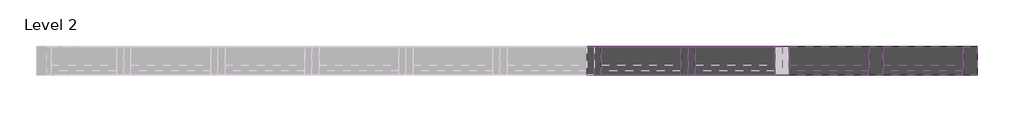
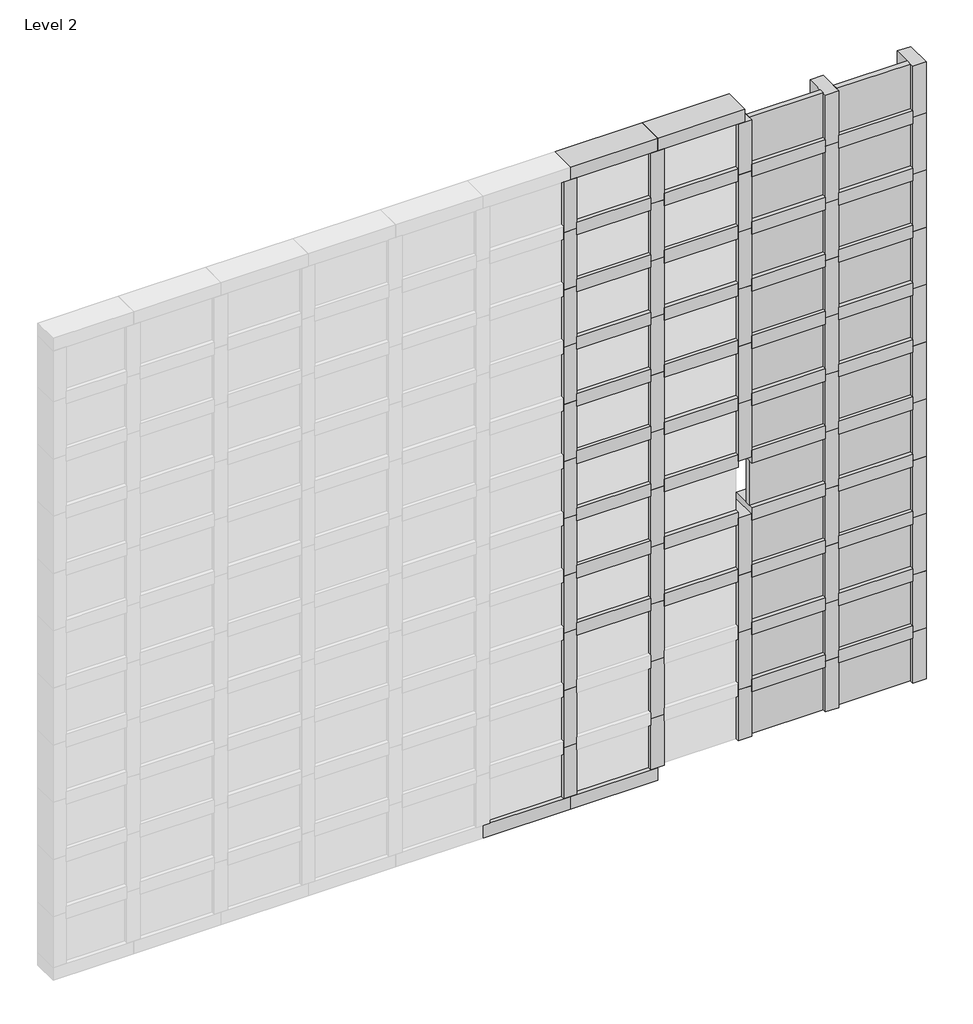
# One storey, part 3 of 7: 94 members, 22 plates.
"""IFC4 building model written with IfcOpenShell, lengths in millimetres."""

import ifcopenshell
import ifcopenshell.guid

model = None  # the IFC model being written
_history = None  # IfcOwnerHistory: only IFC2X3 demands one
_inside = {}  # id of a spatial element -> (the spatial element, [elements in it])
_under = {}  # id of a project, library or spatial element -> (it, [spatial elements below it])
_declared = {}  # id of a project -> (the project, [libraries it declares])
_typed = {}  # id of a type object -> (the type object, [elements of that type])
_made_of = {}  # id of a material, layer set ... -> (it, [elements and type objects made of it])


def new_model(schema):
    """Start an empty IFC model of exactly this schema.

    Asked for "IFC4X3", IfcOpenShell would pick the latest addendum, in which some entities
    have other attributes; the version numbers below select the first issue.
    IFC2X3 requires an IfcOwnerHistory on every rooted entity: one is made here for all.
    """
    global model, _history
    if schema == "IFC4X3":
        model = ifcopenshell.file(schema_version=(4, 3, 0, 0))
    else:
        model = ifcopenshell.file(schema=schema)
    _inside.clear()
    _under.clear()
    _declared.clear()
    _typed.clear()
    _made_of.clear()
    _history = None
    if model.schema == "IFC2X3":
        org = make("IfcOrganization", Name="unknown")
        user = make(
            "IfcPersonAndOrganization",
            ThePerson=make("IfcPerson", FamilyName="unknown"),
            TheOrganization=org,
        )
        app = make(
            "IfcApplication",
            ApplicationDeveloper=org,
            Version="unknown",
            ApplicationFullName="unknown",
            ApplicationIdentifier="unknown",
        )
        _history = make(
            "IfcOwnerHistory",
            OwningUser=user,
            OwningApplication=app,
            ChangeAction="ADDED",
            CreationDate=0,
        )
    return model


def make(cls, **values):
    """One entity of the class cls with the attributes given. An attribute that is None is left unset."""
    return model.create_entity(
        cls, **{name: value for name, value in values.items() if value is not None}
    )


def rooted(cls, **values):
    """An entity with a GlobalId (a new one), such as an element, a storey or a relation."""
    return make(cls, GlobalId=ifcopenshell.guid.new(), OwnerHistory=_history, **values)


def si_unit(unit_type, name, prefix=None):
    """IfcSIUnit, for example si_unit("LENGTHUNIT", "METRE", prefix="MILLI")."""
    return make("IfcSIUnit", UnitType=unit_type, Prefix=prefix, Name=name)


def assignment(units):
    """IfcUnitAssignment: the units of a project."""
    return None if units is None else make("IfcUnitAssignment", Units=units)


def point(xyz):
    """IfcCartesianPoint."""
    return None if xyz is None else make("IfcCartesianPoint", Coordinates=xyz)


def direction(xyz):
    """IfcDirection."""
    return None if xyz is None else make("IfcDirection", DirectionRatios=xyz)


def frame(location, z_axis=None, x_axis=None):
    """IfcAxis2Placement3D, a coordinate frame: its origin and axes. An axis left out is left unset."""
    return make(
        "IfcAxis2Placement3D",
        Location=point(location),
        Axis=direction(z_axis),
        RefDirection=direction(x_axis),
    )


def origin():
    """The frame at (0, 0, 0) with its axes left unset."""
    return frame((0.0, 0.0, 0.0))


def origin_with_axes():
    """The frame at (0, 0, 0) with the z axis (0, 0, 1) and the x axis (1, 0, 0) written out."""
    return frame((0.0, 0.0, 0.0), z_axis=(0.0, 0.0, 1.0), x_axis=(1.0, 0.0, 0.0))


def place(relative_to, where):
    """IfcLocalPlacement: puts the frame where relative to a parent placement (None: the world)."""
    return make(
        "IfcLocalPlacement", PlacementRelTo=relative_to, RelativePlacement=where
    )


def context(
    kind, dimensions, precision=None, world=None, true_north=None, identifier=None
):
    """IfcGeometricRepresentationContext, for example the 3D "Model" context."""
    return make(
        "IfcGeometricRepresentationContext",
        ContextIdentifier=identifier,
        ContextType=kind,
        CoordinateSpaceDimension=dimensions,
        Precision=precision,
        WorldCoordinateSystem=world,
        TrueNorth=true_north,
    )


def project(units=None, contexts=None):
    """IfcProject with its units and contexts."""
    return rooted(
        "IfcProject",
        Name="project",
        RepresentationContexts=contexts,
        UnitsInContext=assignment(units),
    )


def spatial(cls, under=None, at=None, **own):
    """A site, building, storey or space (cls), placed at a placement, below another one or the project."""
    s = rooted(cls, ObjectPlacement=at, **own)
    if under is not None:
        _under.setdefault(under.id(), (under, []))[1].append(s)
    return s


def polyline(points):
    """IfcPolyline through the points."""
    return make("IfcPolyline", Points=[point(p) for p in points])


def outline(outer, holes=None, kind="AREA"):
    """IfcArbitraryClosedProfileDef: a profile drawn as a closed curve; with holes, ...WithVoids."""
    if holes is None:
        return make("IfcArbitraryClosedProfileDef", ProfileType=kind, OuterCurve=outer)
    return make(
        "IfcArbitraryProfileDefWithVoids",
        ProfileType=kind,
        OuterCurve=outer,
        InnerCurves=holes,
    )


def extrude(swept, where, along, depth):
    """IfcExtrudedAreaSolid: the profile swept, set in the frame where, extruded along a direction by depth."""
    return make(
        "IfcExtrudedAreaSolid",
        SweptArea=swept,
        Position=where,
        ExtrudedDirection=direction(along),
        Depth=depth,
    )


def shape(context_of_items, identifier, shape_type, items):
    """IfcShapeRepresentation: the items that make up one representation, for example the "Body"."""
    return make(
        "IfcShapeRepresentation",
        ContextOfItems=context_of_items,
        RepresentationIdentifier=identifier,
        RepresentationType=shape_type,
        Items=items,
    )


def source(mapping_origin, context_of_items, identifier, shape_type, items):
    """IfcRepresentationMap: a shape defined once, which mapped items show again and again."""
    return make(
        "IfcRepresentationMap",
        MappingOrigin=mapping_origin,
        MappedRepresentation=shape(context_of_items, identifier, shape_type, items),
    )


def transform(
    local_origin,
    x_axis=None,
    y_axis=None,
    z_axis=None,
    scale=None,
    scale2=None,
    scale3=None,
    uniform=True,
):
    """IfcCartesianTransformationOperator3D, or its non-uniform kind. x_axis, y_axis, z_axis: its Axis1, 2, 3."""
    if uniform:
        return make(
            "IfcCartesianTransformationOperator3D",
            Axis1=direction(x_axis),
            Axis2=direction(y_axis),
            LocalOrigin=point(local_origin),
            Scale=scale,
            Axis3=direction(z_axis),
        )
    return make(
        "IfcCartesianTransformationOperator3DnonUniform",
        Axis1=direction(x_axis),
        Axis2=direction(y_axis),
        LocalOrigin=point(local_origin),
        Scale=scale,
        Axis3=direction(z_axis),
        Scale2=scale2,
        Scale3=scale3,
    )


def mapped(mapping_source, mapping_target):
    """IfcMappedItem: shows the shape of a source again, moved by a transform."""
    return make(
        "IfcMappedItem", MappingSource=mapping_source, MappingTarget=mapping_target
    )


def made_of(thing, what):
    """Note that an element or type object is made of a material, layer set ...; save() writes the relation."""
    if what is not None:
        _made_of.setdefault(what.id(), (what, []))[1].append(thing)
    return thing


def element(
    cls,
    number,
    at=None,
    inside=None,
    cuts=None,
    type_object=None,
    material=None,
    context=None,
    identifier="Body",
    shape_type=None,
    held_by="IfcProductDefinitionShape",
    body=None,
    shapes=None,
    **own,
):
    """One element of the class cls, such as IfcWall. Its Tag is "e" and its number.

    at: its placement. inside: the storey or other place that contains it. cuts: it is an
    opening in that element (IfcRelVoidsElement). A single representation is given by context,
    identifier, shape_type and body (its items); several are given by shapes. held_by: the class
    of the entity that holds the representations. save() writes the other relations.
    """
    e = rooted(cls, Tag="e%d" % number, ObjectPlacement=at, **own)
    if body is not None:
        shapes = [shape(context, identifier, shape_type, body)]
    if shapes is not None:
        e.Representation = make(held_by, Representations=shapes)
    if inside is not None:
        _inside.setdefault(inside.id(), (inside, []))[1].append(e)
    if cuts is not None:
        rooted(
            "IfcRelVoidsElement", RelatingBuildingElement=cuts, RelatedOpeningElement=e
        )
    if type_object is not None:
        _typed.setdefault(type_object.id(), (type_object, []))[1].append(e)
    return made_of(e, material)


def aggregate(whole, parts):
    """IfcRelAggregates: a whole, such as a stair, and the parts it consists of."""
    return rooted("IfcRelAggregates", RelatingObject=whole, RelatedObjects=parts)


def save(model, path):
    """Write the relations noted so far, then the file.

    IfcRelAggregates (storeys below a building ...), IfcRelContainedInSpatialStructure (elements
    in a storey), IfcRelDefinesByType, IfcRelAssociatesMaterial and IfcRelDeclares: one each for
    every whole, place, type object, material and project.
    """
    for whole, parts in _under.values():
        aggregate(whole, parts)
    for where, things in _inside.values():
        rooted(
            "IfcRelContainedInSpatialStructure",
            RelatedElements=things,
            RelatingStructure=where,
        )
    for kind, things in _typed.values():
        rooted("IfcRelDefinesByType", RelatedObjects=things, RelatingType=kind)
    for what, things in _made_of.values():
        rooted("IfcRelAssociatesMaterial", RelatedObjects=things, RelatingMaterial=what)
    for by, libraries in _declared.values():
        rooted("IfcRelDeclares", RelatingContext=by, RelatedDefinitions=libraries)
    model.write(path)


def member_053a1080(model_context):
    return source(origin(), model_context, "Body", "SweptSolid", [
        extrude(outline(polyline([(31.75, 63.5), (31.75, -63.5), (-31.75, -63.5), (-31.75, 63.5), (31.75, 63.5)])), frame((0.0, 0.0, -351.3666667), z_axis=(0.0, 0.0, 1.0), x_axis=(1.0, 0.0, 0.0)), (0.0, 0.0, 1.0), 351.3666667),
    ])


def member_cc20b924(model_context):
    return source(origin(), model_context, "Body", "SweptSolid", [
        extrude(outline(polyline([(0.0, 63.5), (0.0, -63.5), (-63.5, -63.5), (-63.5, 63.5), (0.0, 63.5)])), frame((0.0, 0.0, -414.8666667), z_axis=(0.0, 0.0, 1.0), x_axis=(1.0, 0.0, 0.0)), (0.0, 0.0, 1.0), 414.8666667),
    ])


def member_fa3b035b(model_context):
    return source(origin(), model_context, "Body", "SweptSolid", [
        extrude(outline(polyline([(31.75, 63.5), (31.75, -63.5), (-31.75, -63.5), (-31.75, 63.5), (31.75, 63.5)])), frame((0.0, 0.0, -287.4301113), z_axis=(0.0, 0.0, 1.0), x_axis=(1.0, 0.0, 0.0)), (0.0, 0.0, 1.0), 287.4301113),
    ])


def member_d2e9ee92(model_context):
    return source(origin(), model_context, "Body", "SweptSolid", [
        extrude(outline(polyline([(31.75, 63.5), (31.75, -63.5), (-31.75, -63.5), (-31.75, 63.5), (31.75, 63.5)])), frame((0.0, 0.0, -255.6801113), z_axis=(0.0, 0.0, 1.0), x_axis=(1.0, 0.0, 0.0)), (0.0, 0.0, 1.0), 255.6801113),
    ])


def system_panel_glazed_a957bdd6(model_context):
    return source(origin(), model_context, "Body", "SweptSolid", [
        extrude(outline(polyline([(175.6833333, 19.05), (-175.6833333, 19.05), (-175.6833333, 44.45), (175.6833333, 44.45), (175.6833333, 19.05)])), origin_with_axes(), (0.0, 0.0, 1.0), 223.9301113),
    ])


model = new_model("IFC4")

# Units and contexts
model_context = context("Model", 3, world=origin())
ifc_project = project(units=[si_unit("LENGTHUNIT", "METRE", prefix="MILLI")], contexts=[model_context])

# Site, building, storey
site = spatial("IfcSite", under=ifc_project)
building = spatial("IfcBuilding", under=site)
storey = spatial("IfcBuildingStorey", under=building, Name="Level 2", Elevation=3048.0)

# Members
placement = place(None, origin())
member_shape = member_053a1080(model_context)
element("IfcMember", 1, ObjectType="Rectangular Mullion : 2.5\" x 5\" rectangular", at=placement, inside=storey, context=model_context, shape_type="MappedRepresentation", body=[
    mapped(member_shape, transform((-2402.0749742, 4076.9545164, 3367.1801113), x_axis=(0.0, 0.0, 1.0), y_axis=(0.0, 1.0, 0.0), z_axis=(-1.0, 0.0, 0.0))),
])
element("IfcMember", 2, ObjectType="Rectangular Mullion : 2.5\" x 5\" rectangular", at=placement, inside=storey, context=model_context, shape_type="MappedRepresentation", body=[
    mapped(member_shape, transform((-2816.9416409, 4076.9545164, 3367.1801113), x_axis=(0.0, 0.0, 1.0), y_axis=(0.0, 1.0, 0.0), z_axis=(-1.0, 0.0, 0.0))),
])
element("IfcMember", 3, ObjectType="Rectangular Mullion : 2.5\" x 5\" rectangular", at=placement, inside=storey, context=model_context, shape_type="MappedRepresentation", body=[
    mapped(member_shape, transform((-2816.9416409, 4076.9545164, 3654.6102225), x_axis=(0.0, 0.0, 1.0), y_axis=(0.0, 1.0, 0.0), z_axis=(-1.0, 0.0, 0.0))),
])
element("IfcMember", 4, ObjectType="Rectangular Mullion : 2.5\" x 5\" rectangular", at=placement, inside=storey, context=model_context, shape_type="MappedRepresentation", body=[
    mapped(member_shape, transform((-2402.0749742, 4076.9545164, 3654.6102225), x_axis=(0.0, 0.0, 1.0), y_axis=(0.0, 1.0, 0.0), z_axis=(-1.0, 0.0, 0.0))),
])
element("IfcMember", 5, ObjectType="Rectangular Mullion : 2.5\" x 5\" rectangular", at=placement, inside=storey, context=model_context, shape_type="MappedRepresentation", body=[
    mapped(member_shape, transform((-3231.8083075, 4076.9545164, 3942.0403338), x_axis=(0.0, 0.0, 1.0), y_axis=(0.0, 1.0, 0.0), z_axis=(-1.0, 0.0, 0.0))),
])
element("IfcMember", 6, ObjectType="Rectangular Mullion : 2.5\" x 5\" rectangular", at=placement, inside=storey, context=model_context, shape_type="MappedRepresentation", body=[
    mapped(member_shape, transform((-2816.9416409, 4076.9545164, 3942.0403338), x_axis=(0.0, 0.0, 1.0), y_axis=(0.0, 1.0, 0.0), z_axis=(-1.0, 0.0, 0.0))),
])
element("IfcMember", 7, ObjectType="Rectangular Mullion : 2.5\" x 5\" rectangular", at=placement, inside=storey, context=model_context, shape_type="MappedRepresentation", body=[
    mapped(member_shape, transform((-2402.0749742, 4076.9545164, 3942.0403338), x_axis=(0.0, 0.0, 1.0), y_axis=(0.0, 1.0, 0.0), z_axis=(-1.0, 0.0, 0.0))),
])
element("IfcMember", 8, ObjectType="Rectangular Mullion : 2.5\" x 5\" rectangular", at=placement, inside=storey, context=model_context, shape_type="MappedRepresentation", body=[
    mapped(member_shape, transform((-3646.6749742, 4076.9545164, 3942.0403338), x_axis=(0.0, 0.0, 1.0), y_axis=(0.0, 1.0, 0.0), z_axis=(-1.0, 0.0, 0.0))),
])
element("IfcMember", 9, ObjectType="Rectangular Mullion : 2.5\" x 5\" rectangular", at=placement, inside=storey, context=model_context, shape_type="MappedRepresentation", body=[
    mapped(member_shape, transform((-3646.6749742, 4076.9545164, 4229.4704451), x_axis=(0.0, 0.0, 1.0), y_axis=(0.0, 1.0, 0.0), z_axis=(-1.0, 0.0, 0.0))),
])
element("IfcMember", 10, ObjectType="Rectangular Mullion : 2.5\" x 5\" rectangular", at=placement, inside=storey, context=model_context, shape_type="MappedRepresentation", body=[
    mapped(member_shape, transform((-3231.8083075, 4076.9545164, 4229.4704451), x_axis=(0.0, 0.0, 1.0), y_axis=(0.0, 1.0, 0.0), z_axis=(-1.0, 0.0, 0.0))),
])
element("IfcMember", 11, ObjectType="Rectangular Mullion : 2.5\" x 5\" rectangular", at=placement, inside=storey, context=model_context, shape_type="MappedRepresentation", body=[
    mapped(member_shape, transform((-2816.9416409, 4076.9545164, 4229.4704451), x_axis=(0.0, 0.0, 1.0), y_axis=(0.0, 1.0, 0.0), z_axis=(-1.0, 0.0, 0.0))),
])
element("IfcMember", 12, ObjectType="Rectangular Mullion : 2.5\" x 5\" rectangular", at=placement, inside=storey, context=model_context, shape_type="MappedRepresentation", body=[
    mapped(member_shape, transform((-2402.0749742, 4076.9545164, 4229.4704451), x_axis=(0.0, 0.0, 1.0), y_axis=(0.0, 1.0, 0.0), z_axis=(-1.0, 0.0, 0.0))),
])
element("IfcMember", 13, ObjectType="Rectangular Mullion : 2.5\" x 5\" rectangular", at=placement, inside=storey, context=model_context, shape_type="MappedRepresentation", body=[
    mapped(member_shape, transform((-3646.6749742, 4076.9545164, 4516.9005563), x_axis=(0.0, 0.0, 1.0), y_axis=(0.0, 1.0, 0.0), z_axis=(-1.0, 0.0, 0.0))),
])
element("IfcMember", 14, ObjectType="Rectangular Mullion : 2.5\" x 5\" rectangular", at=placement, inside=storey, context=model_context, shape_type="MappedRepresentation", body=[
    mapped(member_shape, transform((-3231.8083075, 4076.9545164, 4516.9005563), x_axis=(0.0, 0.0, 1.0), y_axis=(0.0, 1.0, 0.0), z_axis=(-1.0, 0.0, 0.0))),
])
element("IfcMember", 15, ObjectType="Rectangular Mullion : 2.5\" x 5\" rectangular", at=placement, inside=storey, context=model_context, shape_type="MappedRepresentation", body=[
    mapped(member_shape, transform((-2816.9416409, 4076.9545164, 4516.9005563), x_axis=(0.0, 0.0, 1.0), y_axis=(0.0, 1.0, 0.0), z_axis=(-1.0, 0.0, 0.0))),
])
element("IfcMember", 16, ObjectType="Rectangular Mullion : 2.5\" x 5\" rectangular", at=placement, inside=storey, context=model_context, shape_type="MappedRepresentation", body=[
    mapped(member_shape, transform((-2402.0749742, 4076.9545164, 4516.9005563), x_axis=(0.0, 0.0, 1.0), y_axis=(0.0, 1.0, 0.0), z_axis=(-1.0, 0.0, 0.0))),
])
element("IfcMember", 17, ObjectType="Rectangular Mullion : 2.5\" x 5\" rectangular", at=placement, inside=storey, context=model_context, shape_type="MappedRepresentation", body=[
    mapped(member_shape, transform((-3231.8083075, 4076.9545164, 4804.3306676), x_axis=(0.0, 0.0, 1.0), y_axis=(0.0, 1.0, 0.0), z_axis=(-1.0, 0.0, 0.0))),
])
element("IfcMember", 18, ObjectType="Rectangular Mullion : 2.5\" x 5\" rectangular", at=placement, inside=storey, context=model_context, shape_type="MappedRepresentation", body=[
    mapped(member_shape, transform((-2816.9416409, 4076.9545164, 4804.3306676), x_axis=(0.0, 0.0, 1.0), y_axis=(0.0, 1.0, 0.0), z_axis=(-1.0, 0.0, 0.0))),
])
element("IfcMember", 19, ObjectType="Rectangular Mullion : 2.5\" x 5\" rectangular", at=placement, inside=storey, context=model_context, shape_type="MappedRepresentation", body=[
    mapped(member_shape, transform((-2402.0749742, 4076.9545164, 4804.3306676), x_axis=(0.0, 0.0, 1.0), y_axis=(0.0, 1.0, 0.0), z_axis=(-1.0, 0.0, 0.0))),
])
element("IfcMember", 20, ObjectType="Rectangular Mullion : 2.5\" x 5\" rectangular", at=placement, inside=storey, context=model_context, shape_type="MappedRepresentation", body=[
    mapped(member_shape, transform((-3646.6749742, 4076.9545164, 4804.3306676), x_axis=(0.0, 0.0, 1.0), y_axis=(0.0, 1.0, 0.0), z_axis=(-1.0, 0.0, 0.0))),
])
element("IfcMember", 21, ObjectType="Rectangular Mullion : 2.5\" x 5\" rectangular", at=placement, inside=storey, context=model_context, shape_type="MappedRepresentation", body=[
    mapped(member_shape, transform((-3646.6749742, 4076.9545164, 5091.7607789), x_axis=(0.0, 0.0, 1.0), y_axis=(0.0, 1.0, 0.0), z_axis=(-1.0, 0.0, 0.0))),
])
element("IfcMember", 22, ObjectType="Rectangular Mullion : 2.5\" x 5\" rectangular", at=placement, inside=storey, context=model_context, shape_type="MappedRepresentation", body=[
    mapped(member_shape, transform((-3231.8083075, 4076.9545164, 5091.7607789), x_axis=(0.0, 0.0, 1.0), y_axis=(0.0, 1.0, 0.0), z_axis=(-1.0, 0.0, 0.0))),
])
element("IfcMember", 23, ObjectType="Rectangular Mullion : 2.5\" x 5\" rectangular", at=placement, inside=storey, context=model_context, shape_type="MappedRepresentation", body=[
    mapped(member_shape, transform((-2816.9416409, 4076.9545164, 5091.7607789), x_axis=(0.0, 0.0, 1.0), y_axis=(0.0, 1.0, 0.0), z_axis=(-1.0, 0.0, 0.0))),
])
element("IfcMember", 24, ObjectType="Rectangular Mullion : 2.5\" x 5\" rectangular", at=placement, inside=storey, context=model_context, shape_type="MappedRepresentation", body=[
    mapped(member_shape, transform((-2402.0749742, 4076.9545164, 5091.7607789), x_axis=(0.0, 0.0, 1.0), y_axis=(0.0, 1.0, 0.0), z_axis=(-1.0, 0.0, 0.0))),
])
element("IfcMember", 25, ObjectType="Rectangular Mullion : 2.5\" x 5\" rectangular", at=placement, inside=storey, context=model_context, shape_type="MappedRepresentation", body=[
    mapped(member_shape, transform((-3646.6749742, 4076.9545164, 5379.1908901), x_axis=(0.0, 0.0, 1.0), y_axis=(0.0, 1.0, 0.0), z_axis=(-1.0, 0.0, 0.0))),
])
element("IfcMember", 26, ObjectType="Rectangular Mullion : 2.5\" x 5\" rectangular", at=placement, inside=storey, context=model_context, shape_type="MappedRepresentation", body=[
    mapped(member_shape, transform((-3231.8083075, 4076.9545164, 5379.1908901), x_axis=(0.0, 0.0, 1.0), y_axis=(0.0, 1.0, 0.0), z_axis=(-1.0, 0.0, 0.0))),
])
element("IfcMember", 27, ObjectType="Rectangular Mullion : 2.5\" x 5\" rectangular", at=placement, inside=storey, context=model_context, shape_type="MappedRepresentation", body=[
    mapped(member_shape, transform((-2816.9416409, 4076.9545164, 5379.1908901), x_axis=(0.0, 0.0, 1.0), y_axis=(0.0, 1.0, 0.0), z_axis=(-1.0, 0.0, 0.0))),
])
element("IfcMember", 28, ObjectType="Rectangular Mullion : 2.5\" x 5\" rectangular", at=placement, inside=storey, context=model_context, shape_type="MappedRepresentation", body=[
    mapped(member_shape, transform((-2402.0749742, 4076.9545164, 5379.1908901), x_axis=(0.0, 0.0, 1.0), y_axis=(0.0, 1.0, 0.0), z_axis=(-1.0, 0.0, 0.0))),
])
element("IfcMember", 29, ObjectType="Rectangular Mullion : 2.5\" x 5\" rectangular", at=placement, inside=storey, context=model_context, shape_type="MappedRepresentation", body=[
    mapped(member_shape, transform((-2402.0749742, 4076.9545164, 5666.6210014), x_axis=(0.0, 0.0, 1.0), y_axis=(0.0, 1.0, 0.0), z_axis=(-1.0, 0.0, 0.0))),
])
element("IfcMember", 30, ObjectType="Rectangular Mullion : 2.5\" x 5\" rectangular", at=placement, inside=storey, context=model_context, shape_type="MappedRepresentation", body=[
    mapped(member_shape, transform((-3646.6749742, 4076.9545164, 5666.6210014), x_axis=(0.0, 0.0, 1.0), y_axis=(0.0, 1.0, 0.0), z_axis=(-1.0, 0.0, 0.0))),
])
element("IfcMember", 31, ObjectType="Rectangular Mullion : 2.5\" x 5\" rectangular", at=placement, inside=storey, context=model_context, shape_type="MappedRepresentation", body=[
    mapped(member_shape, transform((-3231.8083075, 4076.9545164, 5666.6210014), x_axis=(0.0, 0.0, 1.0), y_axis=(0.0, 1.0, 0.0), z_axis=(-1.0, 0.0, 0.0))),
])
element("IfcMember", 32, ObjectType="Rectangular Mullion : 2.5\" x 5\" rectangular", at=placement, inside=storey, context=model_context, shape_type="MappedRepresentation", body=[
    mapped(member_shape, transform((-2816.9416409, 4076.9545164, 5666.6210014), x_axis=(0.0, 0.0, 1.0), y_axis=(0.0, 1.0, 0.0), z_axis=(-1.0, 0.0, 0.0))),
])
element("IfcMember", 33, ObjectType="Rectangular Mullion : 2.5\" x 5\" rectangular", at=placement, inside=storey, context=model_context, shape_type="MappedRepresentation", body=[
    mapped(member_shape, transform((-3646.6749742, 4076.9545164, 5954.0511127), x_axis=(0.0, 0.0, 1.0), y_axis=(0.0, 1.0, 0.0), z_axis=(-1.0, 0.0, 0.0))),
])
element("IfcMember", 34, ObjectType="Rectangular Mullion : 2.5\" x 5\" rectangular", at=placement, inside=storey, context=model_context, shape_type="MappedRepresentation", body=[
    mapped(member_shape, transform((-3231.8083075, 4076.9545164, 5954.0511127), x_axis=(0.0, 0.0, 1.0), y_axis=(0.0, 1.0, 0.0), z_axis=(-1.0, 0.0, 0.0))),
])
element("IfcMember", 35, ObjectType="Rectangular Mullion : 2.5\" x 5\" rectangular", at=placement, inside=storey, context=model_context, shape_type="MappedRepresentation", body=[
    mapped(member_shape, transform((-2816.9416409, 4076.9545164, 5954.0511127), x_axis=(0.0, 0.0, 1.0), y_axis=(0.0, 1.0, 0.0), z_axis=(-1.0, 0.0, 0.0))),
])
element("IfcMember", 36, ObjectType="Rectangular Mullion : 2.5\" x 5\" rectangular", at=placement, inside=storey, context=model_context, shape_type="MappedRepresentation", body=[
    mapped(member_shape, transform((-2402.0749742, 4076.9545164, 5954.0511127), x_axis=(0.0, 0.0, 1.0), y_axis=(0.0, 1.0, 0.0), z_axis=(-1.0, 0.0, 0.0))),
])
member_2_shape = member_cc20b924(model_context)
element("IfcMember", 37, ObjectType="Rectangular Mullion : 2.5\" x 5\" rectangular", at=placement, inside=storey, context=model_context, shape_type="MappedRepresentation", body=[
    mapped(member_2_shape, transform((-3678.4249742, 4076.9545164, 3048.0), x_axis=(0.0, 0.0, -1.0), y_axis=(0.0, 1.0, 0.0), z_axis=(1.0, 0.0, 0.0))),
])
element("IfcMember", 38, ObjectType="Rectangular Mullion : 2.5\" x 5\" rectangular", at=placement, inside=storey, context=model_context, shape_type="MappedRepresentation", body=[
    mapped(member_2_shape, transform((-3263.5583075, 4076.9545164, 3048.0), x_axis=(0.0, 0.0, -1.0), y_axis=(0.0, 1.0, 0.0), z_axis=(1.0, 0.0, 0.0))),
])
member_3_shape = member_fa3b035b(model_context)
element("IfcMember", 39, ObjectType="Rectangular Mullion : 2.5\" x 5\" rectangular", at=placement, inside=storey, context=model_context, shape_type="MappedRepresentation", body=[
    mapped(member_3_shape, transform((-2018.9583075, 4076.9545164, 5666.6210014), x_axis=(-1.0, 0.0, 0.0), y_axis=(0.0, 1.0, 0.0), z_axis=(0.0, 0.0, -1.0))),
])
element("IfcMember", 40, ObjectType="Rectangular Mullion : 2.5\" x 5\" rectangular", at=placement, inside=storey, context=model_context, shape_type="MappedRepresentation", body=[
    mapped(member_3_shape, transform((-2018.9583075, 4076.9545164, 5379.1908901), x_axis=(-1.0, 0.0, 0.0), y_axis=(0.0, 1.0, 0.0), z_axis=(0.0, 0.0, -1.0))),
])
element("IfcMember", 41, ObjectType="Rectangular Mullion : 2.5\" x 5\" rectangular", at=placement, inside=storey, context=model_context, shape_type="MappedRepresentation", body=[
    mapped(member_3_shape, transform((-2018.9583075, 4076.9545164, 5091.7607789), x_axis=(-1.0, 0.0, 0.0), y_axis=(0.0, 1.0, 0.0), z_axis=(0.0, 0.0, -1.0))),
])
element("IfcMember", 42, ObjectType="Rectangular Mullion : 2.5\" x 5\" rectangular", at=placement, inside=storey, context=model_context, shape_type="MappedRepresentation", body=[
    mapped(member_3_shape, transform((-2018.9583075, 4076.9545164, 4804.3306676), x_axis=(-1.0, 0.0, 0.0), y_axis=(0.0, 1.0, 0.0), z_axis=(0.0, 0.0, -1.0))),
])
element("IfcMember", 43, ObjectType="Rectangular Mullion : 2.5\" x 5\" rectangular", at=placement, inside=storey, context=model_context, shape_type="MappedRepresentation", body=[
    mapped(member_3_shape, transform((-2018.9583075, 4076.9545164, 4516.9005563), x_axis=(-1.0, 0.0, 0.0), y_axis=(0.0, 1.0, 0.0), z_axis=(0.0, 0.0, -1.0))),
])
element("IfcMember", 44, ObjectType="Rectangular Mullion : 2.5\" x 5\" rectangular", at=placement, inside=storey, context=model_context, shape_type="MappedRepresentation", body=[
    mapped(member_3_shape, transform((-2018.9583075, 4076.9545164, 4229.4704451), x_axis=(-1.0, 0.0, 0.0), y_axis=(0.0, 1.0, 0.0), z_axis=(0.0, 0.0, -1.0))),
])
element("IfcMember", 45, ObjectType="Rectangular Mullion : 2.5\" x 5\" rectangular", at=placement, inside=storey, context=model_context, shape_type="MappedRepresentation", body=[
    mapped(member_3_shape, transform((-2018.9583075, 4076.9545164, 3942.0403338), x_axis=(-1.0, 0.0, 0.0), y_axis=(0.0, 1.0, 0.0), z_axis=(0.0, 0.0, -1.0))),
])
element("IfcMember", 46, ObjectType="Rectangular Mullion : 2.5\" x 5\" rectangular", at=placement, inside=storey, context=model_context, shape_type="MappedRepresentation", body=[
    mapped(member_3_shape, transform((-2018.9583075, 4076.9545164, 3654.6102225), x_axis=(-1.0, 0.0, 0.0), y_axis=(0.0, 1.0, 0.0), z_axis=(0.0, 0.0, -1.0))),
])
element("IfcMember", 47, ObjectType="Rectangular Mullion : 2.5\" x 5\" rectangular", at=placement, inside=storey, context=model_context, shape_type="MappedRepresentation", body=[
    mapped(member_3_shape, transform((-2018.9583075, 4076.9545164, 3367.1801113), x_axis=(-1.0, 0.0, 0.0), y_axis=(0.0, 1.0, 0.0), z_axis=(0.0, 0.0, -1.0))),
])
element("IfcMember", 48, ObjectType="Rectangular Mullion : 2.5\" x 5\" rectangular", at=placement, inside=storey, context=model_context, shape_type="MappedRepresentation", body=[
    mapped(member_3_shape, transform((-2433.8249742, 4076.9545164, 3654.6102225), x_axis=(-1.0, 0.0, 0.0), y_axis=(0.0, 1.0, 0.0), z_axis=(0.0, 0.0, -1.0))),
])
element("IfcMember", 49, ObjectType="Rectangular Mullion : 2.5\" x 5\" rectangular", at=placement, inside=storey, context=model_context, shape_type="MappedRepresentation", body=[
    mapped(member_3_shape, transform((-2433.8249742, 4076.9545164, 5666.6210014), x_axis=(-1.0, 0.0, 0.0), y_axis=(0.0, 1.0, 0.0), z_axis=(0.0, 0.0, -1.0))),
])
element("IfcMember", 50, ObjectType="Rectangular Mullion : 2.5\" x 5\" rectangular", at=placement, inside=storey, context=model_context, shape_type="MappedRepresentation", body=[
    mapped(member_3_shape, transform((-2433.8249742, 4076.9545164, 5379.1908901), x_axis=(-1.0, 0.0, 0.0), y_axis=(0.0, 1.0, 0.0), z_axis=(0.0, 0.0, -1.0))),
])
element("IfcMember", 51, ObjectType="Rectangular Mullion : 2.5\" x 5\" rectangular", at=placement, inside=storey, context=model_context, shape_type="MappedRepresentation", body=[
    mapped(member_3_shape, transform((-2433.8249742, 4076.9545164, 5091.7607789), x_axis=(-1.0, 0.0, 0.0), y_axis=(0.0, 1.0, 0.0), z_axis=(0.0, 0.0, -1.0))),
])
element("IfcMember", 52, ObjectType="Rectangular Mullion : 2.5\" x 5\" rectangular", at=placement, inside=storey, context=model_context, shape_type="MappedRepresentation", body=[
    mapped(member_3_shape, transform((-2433.8249742, 4076.9545164, 4804.3306676), x_axis=(-1.0, 0.0, 0.0), y_axis=(0.0, 1.0, 0.0), z_axis=(0.0, 0.0, -1.0))),
])
element("IfcMember", 53, ObjectType="Rectangular Mullion : 2.5\" x 5\" rectangular", at=placement, inside=storey, context=model_context, shape_type="MappedRepresentation", body=[
    mapped(member_3_shape, transform((-2433.8249742, 4076.9545164, 4516.9005563), x_axis=(-1.0, 0.0, 0.0), y_axis=(0.0, 1.0, 0.0), z_axis=(0.0, 0.0, -1.0))),
])
element("IfcMember", 54, ObjectType="Rectangular Mullion : 2.5\" x 5\" rectangular", at=placement, inside=storey, context=model_context, shape_type="MappedRepresentation", body=[
    mapped(member_3_shape, transform((-2433.8249742, 4076.9545164, 4229.4704451), x_axis=(-1.0, 0.0, 0.0), y_axis=(0.0, 1.0, 0.0), z_axis=(0.0, 0.0, -1.0))),
])
element("IfcMember", 55, ObjectType="Rectangular Mullion : 2.5\" x 5\" rectangular", at=placement, inside=storey, context=model_context, shape_type="MappedRepresentation", body=[
    mapped(member_3_shape, transform((-2433.8249742, 4076.9545164, 3942.0403338), x_axis=(-1.0, 0.0, 0.0), y_axis=(0.0, 1.0, 0.0), z_axis=(0.0, 0.0, -1.0))),
])
element("IfcMember", 56, ObjectType="Rectangular Mullion : 2.5\" x 5\" rectangular", at=placement, inside=storey, context=model_context, shape_type="MappedRepresentation", body=[
    mapped(member_3_shape, transform((-2433.8249742, 4076.9545164, 3367.1801113), x_axis=(-1.0, 0.0, 0.0), y_axis=(0.0, 1.0, 0.0), z_axis=(0.0, 0.0, -1.0))),
])
element("IfcMember", 57, ObjectType="Rectangular Mullion : 2.5\" x 5\" rectangular", at=placement, inside=storey, context=model_context, shape_type="MappedRepresentation", body=[
    mapped(member_3_shape, transform((-2848.6916409, 4076.9545164, 5666.6210014), x_axis=(-1.0, 0.0, 0.0), y_axis=(0.0, 1.0, 0.0), z_axis=(0.0, 0.0, -1.0))),
])
element("IfcMember", 58, ObjectType="Rectangular Mullion : 2.5\" x 5\" rectangular", at=placement, inside=storey, context=model_context, shape_type="MappedRepresentation", body=[
    mapped(member_3_shape, transform((-2848.6916409, 4076.9545164, 5379.1908901), x_axis=(-1.0, 0.0, 0.0), y_axis=(0.0, 1.0, 0.0), z_axis=(0.0, 0.0, -1.0))),
])
element("IfcMember", 59, ObjectType="Rectangular Mullion : 2.5\" x 5\" rectangular", at=placement, inside=storey, context=model_context, shape_type="MappedRepresentation", body=[
    mapped(member_3_shape, transform((-2848.6916409, 4076.9545164, 5091.7607789), x_axis=(-1.0, 0.0, 0.0), y_axis=(0.0, 1.0, 0.0), z_axis=(0.0, 0.0, -1.0))),
])
element("IfcMember", 60, ObjectType="Rectangular Mullion : 2.5\" x 5\" rectangular", at=placement, inside=storey, context=model_context, shape_type="MappedRepresentation", body=[
    mapped(member_3_shape, transform((-2848.6916409, 4076.9545164, 4804.3306676), x_axis=(-1.0, 0.0, 0.0), y_axis=(0.0, 1.0, 0.0), z_axis=(0.0, 0.0, -1.0))),
])
element("IfcMember", 61, ObjectType="Rectangular Mullion : 2.5\" x 5\" rectangular", at=placement, inside=storey, context=model_context, shape_type="MappedRepresentation", body=[
    mapped(member_3_shape, transform((-2848.6916409, 4076.9545164, 4516.9005563), x_axis=(-1.0, 0.0, 0.0), y_axis=(0.0, 1.0, 0.0), z_axis=(0.0, 0.0, -1.0))),
])
element("IfcMember", 62, ObjectType="Rectangular Mullion : 2.5\" x 5\" rectangular", at=placement, inside=storey, context=model_context, shape_type="MappedRepresentation", body=[
    mapped(member_3_shape, transform((-2848.6916409, 4076.9545164, 3942.0403338), x_axis=(-1.0, 0.0, 0.0), y_axis=(0.0, 1.0, 0.0), z_axis=(0.0, 0.0, -1.0))),
])
element("IfcMember", 63, ObjectType="Rectangular Mullion : 2.5\" x 5\" rectangular", at=placement, inside=storey, context=model_context, shape_type="MappedRepresentation", body=[
    mapped(member_3_shape, transform((-2848.6916409, 4076.9545164, 3654.6102225), x_axis=(-1.0, 0.0, 0.0), y_axis=(0.0, 1.0, 0.0), z_axis=(0.0, 0.0, -1.0))),
])
element("IfcMember", 64, ObjectType="Rectangular Mullion : 2.5\" x 5\" rectangular", at=placement, inside=storey, context=model_context, shape_type="MappedRepresentation", body=[
    mapped(member_3_shape, transform((-2848.6916409, 4076.9545164, 3367.1801113), x_axis=(-1.0, 0.0, 0.0), y_axis=(0.0, 1.0, 0.0), z_axis=(0.0, 0.0, -1.0))),
])
element("IfcMember", 65, ObjectType="Rectangular Mullion : 2.5\" x 5\" rectangular", at=placement, inside=storey, context=model_context, shape_type="MappedRepresentation", body=[
    mapped(member_3_shape, transform((-3263.5583075, 4076.9545164, 5666.6210014), x_axis=(-1.0, 0.0, 0.0), y_axis=(0.0, 1.0, 0.0), z_axis=(0.0, 0.0, -1.0))),
])
element("IfcMember", 66, ObjectType="Rectangular Mullion : 2.5\" x 5\" rectangular", at=placement, inside=storey, context=model_context, shape_type="MappedRepresentation", body=[
    mapped(member_3_shape, transform((-3263.5583075, 4076.9545164, 5379.1908901), x_axis=(-1.0, 0.0, 0.0), y_axis=(0.0, 1.0, 0.0), z_axis=(0.0, 0.0, -1.0))),
])
element("IfcMember", 67, ObjectType="Rectangular Mullion : 2.5\" x 5\" rectangular", at=placement, inside=storey, context=model_context, shape_type="MappedRepresentation", body=[
    mapped(member_3_shape, transform((-3263.5583075, 4076.9545164, 5091.7607789), x_axis=(-1.0, 0.0, 0.0), y_axis=(0.0, 1.0, 0.0), z_axis=(0.0, 0.0, -1.0))),
])
element("IfcMember", 68, ObjectType="Rectangular Mullion : 2.5\" x 5\" rectangular", at=placement, inside=storey, context=model_context, shape_type="MappedRepresentation", body=[
    mapped(member_3_shape, transform((-3263.5583075, 4076.9545164, 4804.3306676), x_axis=(-1.0, 0.0, 0.0), y_axis=(0.0, 1.0, 0.0), z_axis=(0.0, 0.0, -1.0))),
])
element("IfcMember", 69, ObjectType="Rectangular Mullion : 2.5\" x 5\" rectangular", at=placement, inside=storey, context=model_context, shape_type="MappedRepresentation", body=[
    mapped(member_3_shape, transform((-3263.5583075, 4076.9545164, 4516.9005563), x_axis=(-1.0, 0.0, 0.0), y_axis=(0.0, 1.0, 0.0), z_axis=(0.0, 0.0, -1.0))),
])
element("IfcMember", 70, ObjectType="Rectangular Mullion : 2.5\" x 5\" rectangular", at=placement, inside=storey, context=model_context, shape_type="MappedRepresentation", body=[
    mapped(member_3_shape, transform((-3263.5583075, 4076.9545164, 4229.4704451), x_axis=(-1.0, 0.0, 0.0), y_axis=(0.0, 1.0, 0.0), z_axis=(0.0, 0.0, -1.0))),
])
element("IfcMember", 71, ObjectType="Rectangular Mullion : 2.5\" x 5\" rectangular", at=placement, inside=storey, context=model_context, shape_type="MappedRepresentation", body=[
    mapped(member_3_shape, transform((-3263.5583075, 4076.9545164, 3942.0403338), x_axis=(-1.0, 0.0, 0.0), y_axis=(0.0, 1.0, 0.0), z_axis=(0.0, 0.0, -1.0))),
])
element("IfcMember", 72, ObjectType="Rectangular Mullion : 2.5\" x 5\" rectangular", at=placement, inside=storey, context=model_context, shape_type="MappedRepresentation", body=[
    mapped(member_3_shape, transform((-3263.5583075, 4076.9545164, 3654.6102225), x_axis=(-1.0, 0.0, 0.0), y_axis=(0.0, 1.0, 0.0), z_axis=(0.0, 0.0, -1.0))),
])
element("IfcMember", 73, ObjectType="Rectangular Mullion : 2.5\" x 5\" rectangular", at=placement, inside=storey, context=model_context, shape_type="MappedRepresentation", body=[
    mapped(member_3_shape, transform((-3263.5583075, 4076.9545164, 3367.1801113), x_axis=(-1.0, 0.0, 0.0), y_axis=(0.0, 1.0, 0.0), z_axis=(0.0, 0.0, -1.0))),
])
element("IfcMember", 74, ObjectType="Rectangular Mullion : 2.5\" x 5\" rectangular", at=placement, inside=storey, context=model_context, shape_type="MappedRepresentation", body=[
    mapped(member_3_shape, transform((-3678.4249742, 4076.9545164, 5666.6210014), x_axis=(-1.0, 0.0, 0.0), y_axis=(0.0, 1.0, 0.0), z_axis=(0.0, 0.0, -1.0))),
])
element("IfcMember", 75, ObjectType="Rectangular Mullion : 2.5\" x 5\" rectangular", at=placement, inside=storey, context=model_context, shape_type="MappedRepresentation", body=[
    mapped(member_3_shape, transform((-3678.4249742, 4076.9545164, 5379.1908901), x_axis=(-1.0, 0.0, 0.0), y_axis=(0.0, 1.0, 0.0), z_axis=(0.0, 0.0, -1.0))),
])
element("IfcMember", 76, ObjectType="Rectangular Mullion : 2.5\" x 5\" rectangular", at=placement, inside=storey, context=model_context, shape_type="MappedRepresentation", body=[
    mapped(member_3_shape, transform((-3678.4249742, 4076.9545164, 5091.7607789), x_axis=(-1.0, 0.0, 0.0), y_axis=(0.0, 1.0, 0.0), z_axis=(0.0, 0.0, -1.0))),
])
element("IfcMember", 77, ObjectType="Rectangular Mullion : 2.5\" x 5\" rectangular", at=placement, inside=storey, context=model_context, shape_type="MappedRepresentation", body=[
    mapped(member_3_shape, transform((-3678.4249742, 4076.9545164, 4804.3306676), x_axis=(-1.0, 0.0, 0.0), y_axis=(0.0, 1.0, 0.0), z_axis=(0.0, 0.0, -1.0))),
])
element("IfcMember", 78, ObjectType="Rectangular Mullion : 2.5\" x 5\" rectangular", at=placement, inside=storey, context=model_context, shape_type="MappedRepresentation", body=[
    mapped(member_3_shape, transform((-3678.4249742, 4076.9545164, 4516.9005563), x_axis=(-1.0, 0.0, 0.0), y_axis=(0.0, 1.0, 0.0), z_axis=(0.0, 0.0, -1.0))),
])
element("IfcMember", 79, ObjectType="Rectangular Mullion : 2.5\" x 5\" rectangular", at=placement, inside=storey, context=model_context, shape_type="MappedRepresentation", body=[
    mapped(member_3_shape, transform((-3678.4249742, 4076.9545164, 4229.4704451), x_axis=(-1.0, 0.0, 0.0), y_axis=(0.0, 1.0, 0.0), z_axis=(0.0, 0.0, -1.0))),
])
element("IfcMember", 80, ObjectType="Rectangular Mullion : 2.5\" x 5\" rectangular", at=placement, inside=storey, context=model_context, shape_type="MappedRepresentation", body=[
    mapped(member_3_shape, transform((-3678.4249742, 4076.9545164, 3942.0403338), x_axis=(-1.0, 0.0, 0.0), y_axis=(0.0, 1.0, 0.0), z_axis=(0.0, 0.0, -1.0))),
])
element("IfcMember", 81, ObjectType="Rectangular Mullion : 2.5\" x 5\" rectangular", at=placement, inside=storey, context=model_context, shape_type="MappedRepresentation", body=[
    mapped(member_3_shape, transform((-3678.4249742, 4076.9545164, 3654.6102225), x_axis=(-1.0, 0.0, 0.0), y_axis=(0.0, 1.0, 0.0), z_axis=(0.0, 0.0, -1.0))),
])
element("IfcMember", 82, ObjectType="Rectangular Mullion : 2.5\" x 5\" rectangular", at=placement, inside=storey, context=model_context, shape_type="MappedRepresentation", body=[
    mapped(member_3_shape, transform((-3678.4249742, 4076.9545164, 3367.1801113), x_axis=(-1.0, 0.0, 0.0), y_axis=(0.0, 1.0, 0.0), z_axis=(0.0, 0.0, -1.0))),
])
member_4_shape = member_d2e9ee92(model_context)
element("IfcMember", 83, ObjectType="Rectangular Mullion : 2.5\" x 5\" rectangular", at=placement, inside=storey, context=model_context, shape_type="MappedRepresentation", body=[
    mapped(member_4_shape, transform((-2018.9583075, 4076.9545164, 5954.0511127), x_axis=(-1.0, 0.0, 0.0), y_axis=(0.0, 1.0, 0.0), z_axis=(0.0, 0.0, -1.0))),
])
element("IfcMember", 84, ObjectType="Rectangular Mullion : 2.5\" x 5\" rectangular", at=placement, inside=storey, context=model_context, shape_type="MappedRepresentation", body=[
    mapped(member_4_shape, transform((-2433.8249742, 4076.9545164, 5954.0511127), x_axis=(-1.0, 0.0, 0.0), y_axis=(0.0, 1.0, 0.0), z_axis=(0.0, 0.0, -1.0))),
])
element("IfcMember", 85, ObjectType="Rectangular Mullion : 2.5\" x 5\" rectangular", at=placement, inside=storey, context=model_context, shape_type="MappedRepresentation", body=[
    mapped(member_4_shape, transform((-2848.6916409, 4076.9545164, 5954.0511127), x_axis=(-1.0, 0.0, 0.0), y_axis=(0.0, 1.0, 0.0), z_axis=(0.0, 0.0, -1.0))),
])
element("IfcMember", 86, ObjectType="Rectangular Mullion : 2.5\" x 5\" rectangular", at=placement, inside=storey, context=model_context, shape_type="MappedRepresentation", body=[
    mapped(member_4_shape, transform((-3263.5583075, 4076.9545164, 5954.0511127), x_axis=(-1.0, 0.0, 0.0), y_axis=(0.0, 1.0, 0.0), z_axis=(0.0, 0.0, -1.0))),
])
element("IfcMember", 87, ObjectType="Rectangular Mullion : 2.5\" x 5\" rectangular", at=placement, inside=storey, context=model_context, shape_type="MappedRepresentation", body=[
    mapped(member_4_shape, transform((-3678.4249742, 4076.9545164, 5954.0511127), x_axis=(-1.0, 0.0, 0.0), y_axis=(0.0, 1.0, 0.0), z_axis=(0.0, 0.0, -1.0))),
])
element("IfcMember", 88, ObjectType="Rectangular Mullion : 2.5\" x 5\" rectangular", at=placement, inside=storey, context=model_context, shape_type="MappedRepresentation", body=[
    mapped(member_4_shape, transform((-2018.9583075, 4076.9545164, 3111.5), x_axis=(-1.0, 0.0, 0.0), y_axis=(0.0, 1.0, 0.0), z_axis=(0.0, 0.0, -1.0))),
])
element("IfcMember", 89, ObjectType="Rectangular Mullion : 2.5\" x 5\" rectangular", at=placement, inside=storey, context=model_context, shape_type="MappedRepresentation", body=[
    mapped(member_4_shape, transform((-2433.8249742, 4076.9545164, 3111.5), x_axis=(-1.0, 0.0, 0.0), y_axis=(0.0, 1.0, 0.0), z_axis=(0.0, 0.0, -1.0))),
])
element("IfcMember", 90, ObjectType="Rectangular Mullion : 2.5\" x 5\" rectangular", at=placement, inside=storey, context=model_context, shape_type="MappedRepresentation", body=[
    mapped(member_4_shape, transform((-2848.6916409, 4076.9545164, 3111.5), x_axis=(-1.0, 0.0, 0.0), y_axis=(0.0, 1.0, 0.0), z_axis=(0.0, 0.0, -1.0))),
])
element("IfcMember", 91, ObjectType="Rectangular Mullion : 2.5\" x 5\" rectangular", at=placement, inside=storey, context=model_context, shape_type="MappedRepresentation", body=[
    mapped(member_4_shape, transform((-3263.5583075, 4076.9545164, 3111.5), x_axis=(-1.0, 0.0, 0.0), y_axis=(0.0, 1.0, 0.0), z_axis=(0.0, 0.0, -1.0))),
])
element("IfcMember", 92, ObjectType="Rectangular Mullion : 2.5\" x 5\" rectangular", at=placement, inside=storey, context=model_context, shape_type="MappedRepresentation", body=[
    mapped(member_4_shape, transform((-3678.4249742, 4076.9545164, 3111.5), x_axis=(-1.0, 0.0, 0.0), y_axis=(0.0, 1.0, 0.0), z_axis=(0.0, 0.0, -1.0))),
])
element("IfcMember", 93, ObjectType="Rectangular Mullion : 2.5\" x 5\" rectangular", at=placement, inside=storey, context=model_context, shape_type="MappedRepresentation", body=[
    mapped(member_2_shape, transform((-3263.5583075, 4076.9545164, 6273.2312239), x_axis=(0.0, 0.0, 1.0), y_axis=(0.0, 1.0, 0.0), z_axis=(-1.0, 0.0, 0.0))),
])
element("IfcMember", 94, ObjectType="Rectangular Mullion : 2.5\" x 5\" rectangular", at=placement, inside=storey, context=model_context, shape_type="MappedRepresentation", body=[
    mapped(member_2_shape, transform((-3678.4249742, 4076.9545164, 6273.2312239), x_axis=(0.0, 0.0, 1.0), y_axis=(0.0, 1.0, 0.0), z_axis=(-1.0, 0.0, 0.0))),
])

# Plates
system_panel_glazed_shape = system_panel_glazed_a957bdd6(model_context)
element("IfcPlate", 95, ObjectType="System Panel : Glazed", at=placement, inside=storey, context=model_context, shape_type="MappedRepresentation", body=[
    mapped(system_panel_glazed_shape, transform((-2226.3916409, 4076.9545164, 3111.5), x_axis=(-1.0, 0.0, 0.0), y_axis=(0.0, -1.0, 0.0), z_axis=(0.0, 0.0, 1.0))),
])
element("IfcPlate", 96, ObjectType="System Panel : Glazed", at=placement, inside=storey, context=model_context, shape_type="MappedRepresentation", body=[
    mapped(system_panel_glazed_shape, transform((-2226.3916409, 4076.9545164, 3398.9301113), x_axis=(-1.0, 0.0, 0.0), y_axis=(0.0, -1.0, 0.0), z_axis=(0.0, 0.0, 1.0))),
])
element("IfcPlate", 97, ObjectType="System Panel : Glazed", at=placement, inside=storey, context=model_context, shape_type="MappedRepresentation", body=[
    mapped(system_panel_glazed_shape, transform((-2226.3916409, 4076.9545164, 3686.3602225), x_axis=(-1.0, 0.0, 0.0), y_axis=(0.0, -1.0, 0.0), z_axis=(0.0, 0.0, 1.0))),
])
element("IfcPlate", 98, ObjectType="System Panel : Glazed", at=placement, inside=storey, context=model_context, shape_type="MappedRepresentation", body=[
    mapped(system_panel_glazed_shape, transform((-2226.3916409, 4076.9545164, 3973.7903338), x_axis=(-1.0, 0.0, 0.0), y_axis=(0.0, -1.0, 0.0), z_axis=(0.0, 0.0, 1.0))),
])
element("IfcPlate", 99, ObjectType="System Panel : Glazed", at=placement, inside=storey, context=model_context, shape_type="MappedRepresentation", body=[
    mapped(system_panel_glazed_shape, transform((-2226.3916409, 4076.9545164, 4261.2204451), x_axis=(-1.0, 0.0, 0.0), y_axis=(0.0, -1.0, 0.0), z_axis=(0.0, 0.0, 1.0))),
])
element("IfcPlate", 100, ObjectType="System Panel : Glazed", at=placement, inside=storey, context=model_context, shape_type="MappedRepresentation", body=[
    mapped(system_panel_glazed_shape, transform((-2641.2583075, 4076.9545164, 3111.5), x_axis=(-1.0, 0.0, 0.0), y_axis=(0.0, -1.0, 0.0), z_axis=(0.0, 0.0, 1.0))),
])
element("IfcPlate", 101, ObjectType="System Panel : Glazed", at=placement, inside=storey, context=model_context, shape_type="MappedRepresentation", body=[
    mapped(system_panel_glazed_shape, transform((-2641.2583075, 4076.9545164, 3398.9301113), x_axis=(-1.0, 0.0, 0.0), y_axis=(0.0, -1.0, 0.0), z_axis=(0.0, 0.0, 1.0))),
])
element("IfcPlate", 102, ObjectType="System Panel : Glazed", at=placement, inside=storey, context=model_context, shape_type="MappedRepresentation", body=[
    mapped(system_panel_glazed_shape, transform((-2641.2583075, 4076.9545164, 3686.3602225), x_axis=(-1.0, 0.0, 0.0), y_axis=(0.0, -1.0, 0.0), z_axis=(0.0, 0.0, 1.0))),
])
element("IfcPlate", 103, ObjectType="System Panel : Glazed", at=placement, inside=storey, context=model_context, shape_type="MappedRepresentation", body=[
    mapped(system_panel_glazed_shape, transform((-2641.2583075, 4076.9545164, 3973.7903338), x_axis=(-1.0, 0.0, 0.0), y_axis=(0.0, -1.0, 0.0), z_axis=(0.0, 0.0, 1.0))),
])
element("IfcPlate", 104, ObjectType="System Panel : Glazed", at=placement, inside=storey, context=model_context, shape_type="MappedRepresentation", body=[
    mapped(system_panel_glazed_shape, transform((-2641.2583075, 4076.9545164, 4261.2204451), x_axis=(-1.0, 0.0, 0.0), y_axis=(0.0, -1.0, 0.0), z_axis=(0.0, 0.0, 1.0))),
])
element("IfcPlate", 105, ObjectType="System Panel : Glazed", at=placement, inside=storey, context=model_context, shape_type="MappedRepresentation", body=[
    mapped(system_panel_glazed_shape, transform((-2226.3916409, 4076.9545164, 4548.6505563), x_axis=(-1.0, 0.0, 0.0), y_axis=(0.0, -1.0, 0.0), z_axis=(0.0, 0.0, 1.0))),
])
element("IfcPlate", 106, ObjectType="System Panel : Glazed", at=placement, inside=storey, context=model_context, shape_type="MappedRepresentation", body=[
    mapped(system_panel_glazed_shape, transform((-2641.2583075, 4076.9545164, 4548.6505563), x_axis=(-1.0, 0.0, 0.0), y_axis=(0.0, -1.0, 0.0), z_axis=(0.0, 0.0, 1.0))),
])
element("IfcPlate", 107, ObjectType="System Panel : Glazed", at=placement, inside=storey, context=model_context, shape_type="MappedRepresentation", body=[
    mapped(system_panel_glazed_shape, transform((-2226.3916409, 4076.9545164, 4836.0806676), x_axis=(-1.0, 0.0, 0.0), y_axis=(0.0, -1.0, 0.0), z_axis=(0.0, 0.0, 1.0))),
])
element("IfcPlate", 108, ObjectType="System Panel : Glazed", at=placement, inside=storey, context=model_context, shape_type="MappedRepresentation", body=[
    mapped(system_panel_glazed_shape, transform((-2641.2583075, 4076.9545164, 4836.0806676), x_axis=(-1.0, 0.0, 0.0), y_axis=(0.0, -1.0, 0.0), z_axis=(0.0, 0.0, 1.0))),
])
element("IfcPlate", 109, ObjectType="System Panel : Glazed", at=placement, inside=storey, context=model_context, shape_type="MappedRepresentation", body=[
    mapped(system_panel_glazed_shape, transform((-2226.3916409, 4076.9545164, 5123.5107789), x_axis=(-1.0, 0.0, 0.0), y_axis=(0.0, -1.0, 0.0), z_axis=(0.0, 0.0, 1.0))),
])
element("IfcPlate", 110, ObjectType="System Panel : Glazed", at=placement, inside=storey, context=model_context, shape_type="MappedRepresentation", body=[
    mapped(system_panel_glazed_shape, transform((-2641.2583075, 4076.9545164, 5123.5107789), x_axis=(-1.0, 0.0, 0.0), y_axis=(0.0, -1.0, 0.0), z_axis=(0.0, 0.0, 1.0))),
])
element("IfcPlate", 111, ObjectType="System Panel : Glazed", at=placement, inside=storey, context=model_context, shape_type="MappedRepresentation", body=[
    mapped(system_panel_glazed_shape, transform((-2226.3916409, 4076.9545164, 5410.9408901), x_axis=(-1.0, 0.0, 0.0), y_axis=(0.0, -1.0, 0.0), z_axis=(0.0, 0.0, 1.0))),
])
element("IfcPlate", 112, ObjectType="System Panel : Glazed", at=placement, inside=storey, context=model_context, shape_type="MappedRepresentation", body=[
    mapped(system_panel_glazed_shape, transform((-2641.2583075, 4076.9545164, 5410.9408901), x_axis=(-1.0, 0.0, 0.0), y_axis=(0.0, -1.0, 0.0), z_axis=(0.0, 0.0, 1.0))),
])
element("IfcPlate", 113, ObjectType="System Panel : Glazed", at=placement, inside=storey, context=model_context, shape_type="MappedRepresentation", body=[
    mapped(system_panel_glazed_shape, transform((-2226.3916409, 4076.9545164, 5698.3710014), x_axis=(-1.0, 0.0, 0.0), y_axis=(0.0, -1.0, 0.0), z_axis=(0.0, 0.0, 1.0))),
])
element("IfcPlate", 114, ObjectType="System Panel : Glazed", at=placement, inside=storey, context=model_context, shape_type="MappedRepresentation", body=[
    mapped(system_panel_glazed_shape, transform((-2641.2583075, 4076.9545164, 5698.3710014), x_axis=(-1.0, 0.0, 0.0), y_axis=(0.0, -1.0, 0.0), z_axis=(0.0, 0.0, 1.0))),
])
element("IfcPlate", 115, ObjectType="System Panel : Glazed", at=placement, inside=storey, context=model_context, shape_type="MappedRepresentation", body=[
    mapped(system_panel_glazed_shape, transform((-2226.3916409, 4076.9545164, 5985.8011127), x_axis=(-1.0, 0.0, 0.0), y_axis=(0.0, -1.0, 0.0), z_axis=(0.0, 0.0, 1.0))),
])
element("IfcPlate", 116, ObjectType="System Panel : Glazed", at=placement, inside=storey, context=model_context, shape_type="MappedRepresentation", body=[
    mapped(system_panel_glazed_shape, transform((-2641.2583075, 4076.9545164, 5985.8011127), x_axis=(-1.0, 0.0, 0.0), y_axis=(0.0, -1.0, 0.0), z_axis=(0.0, 0.0, 1.0))),
])

save(model, "model.ifc")
